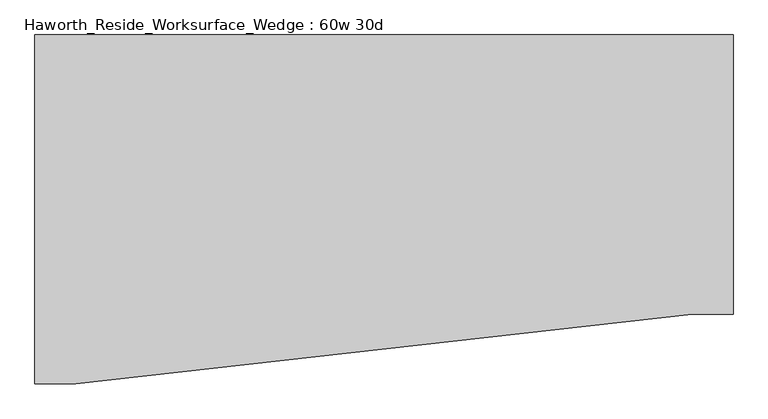
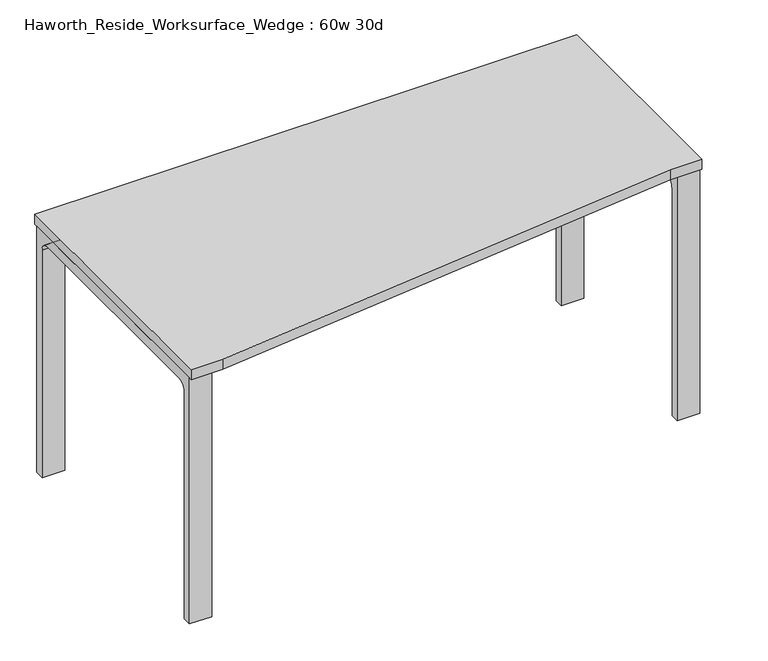
"""IFC4 building model written with IfcOpenShell, lengths in millimetres: furniture geometry, Haworth_Reside_Worksurface_Wedge : 60w 30d."""

from ifc_helpers import new_model, si_unit, point, frame, frame_2d, origin, place, context, project, spatial, polyline, circle_curve, trimmed, segment, composite_curve, outline, extrude, source, transform, mapped, element, save


def haworth_reside_worksurface_wedge_60w_30d_1eb7d6ca(model_context):
    return source(origin(), model_context, "Body", "SweptSolid", [
        extrude(outline(composite_curve([segment(trimmed(circle_curve(frame_2d((396.875, 676.275)), 25.4), [point((422.275, 676.275))], [point((396.875, 701.675))], True, "CARTESIAN"), True, "CONTINUOUS"), segment(polyline([(396.875, 701.675), (-92.075, 701.675)]), True, "CONTINUOUS"), segment(trimmed(circle_curve(frame_2d((-92.075, 676.275)), 25.4), [point((-92.075, 701.675))], [point((-117.475, 676.275))], True, "CARTESIAN"), True, "CONTINUOUS"), segment(polyline([(-117.475, 676.275), (-117.475, 0.0), (-142.875, 0.0), (-142.875, 731.8375), (447.675, 731.8375), (447.675, 0.0), (422.275, 0.0), (422.275, 676.275)]), True, "CONTINUOUS")], self_intersect=False)), frame((698.5, 0.0, 0.0), z_axis=(1.0, 0.0, 0.0), x_axis=(0.0, 1.0, 0.0)), (0.0, 0.0, 1.0), 63.5),
        extrude(outline(composite_curve([segment(trimmed(circle_curve(frame_2d((396.875, 676.275)), 25.4), [point((422.275, 676.275))], [point((396.875, 701.675))], True, "CARTESIAN"), True, "CONTINUOUS"), segment(polyline([(396.875, 701.675), (-244.475, 701.675)]), True, "CONTINUOUS"), segment(trimmed(circle_curve(frame_2d((-244.475, 676.275)), 25.4), [point((-244.475, 701.675))], [point((-269.875, 676.275))], True, "CARTESIAN"), True, "CONTINUOUS"), segment(polyline([(-269.875, 676.275), (-269.875, 0.0), (-295.275, 0.0), (-295.275, 731.8375), (447.675, 731.8375), (447.675, 0.0), (422.275, 0.0), (422.275, 676.275)]), True, "CONTINUOUS")], self_intersect=False)), frame((-762.0, 0.0, 0.0), z_axis=(1.0, 0.0, 0.0), x_axis=(0.0, 1.0, 0.0)), (0.0, 0.0, 1.0), 63.5),
        extrude(outline(polyline([(762.0, 457.2), (762.0, -152.4), (673.1, -152.4), (-673.1, -304.8), (-762.0, -304.8), (-762.0, 457.2), (762.0, 457.2)])), frame((0.0, 0.0, 731.8375), z_axis=(0.0, 0.0, 1.0), x_axis=(1.0, 0.0, 0.0)), (0.0, 0.0, 1.0), 30.1625),
    ])


if __name__ == "__main__":
    model = new_model("IFC4")
    model_context = context("Model", 3, world=origin())
    ifc_project = project(units=[si_unit("LENGTHUNIT", "METRE", prefix="MILLI")], contexts=[model_context])
    site = spatial("IfcSite", under=ifc_project)
    building = spatial("IfcBuilding", under=site)
    placement = place(None, origin())
    haworth_reside_worksurface_wedge_60w_30d_shape = haworth_reside_worksurface_wedge_60w_30d_1eb7d6ca(model_context)
    element("IfcFurniture", 1, ObjectType="Haworth_Reside_Worksurface_Wedge : 60w 30d", at=placement, inside=building, context=model_context, shape_type="MappedRepresentation", body=[
        mapped(haworth_reside_worksurface_wedge_60w_30d_shape, transform((0.0, 0.0, 0.0), x_axis=(1.0, 0.0, 0.0), y_axis=(0.0, 1.0, 0.0), z_axis=(0.0, 0.0, 1.0))),
    ])
    save(model, "model.ifc")
